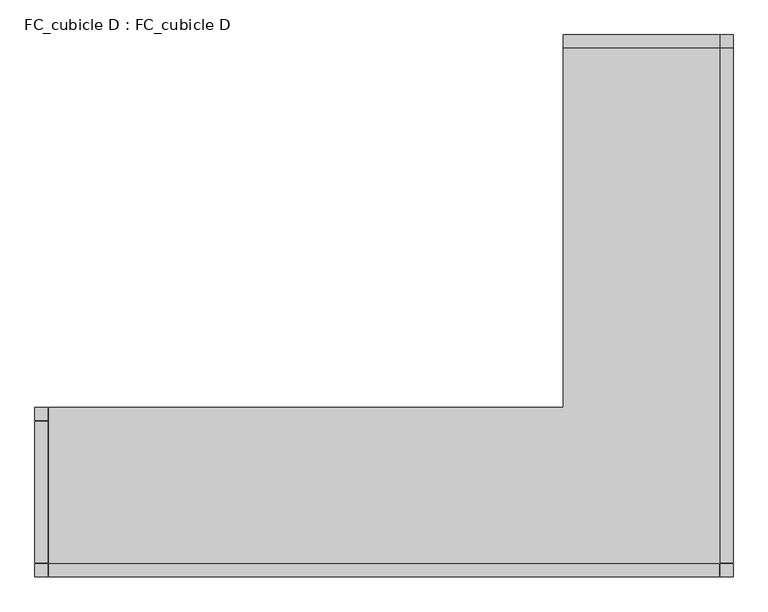
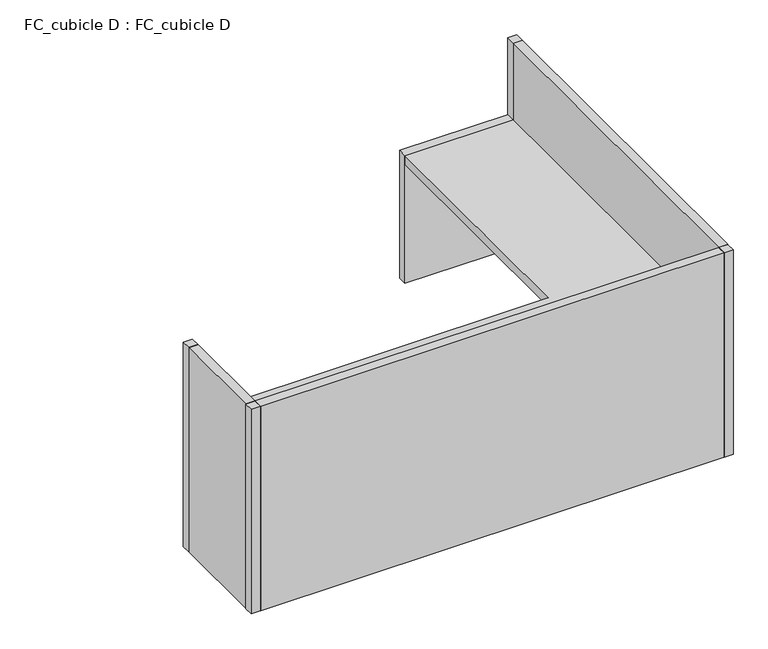
"""IFC4 building model written with IfcOpenShell, lengths in millimetres: furniture geometry, FC_cubicle D : FC_cubicle D."""

from ifc_helpers import new_model, si_unit, frame, origin, origin_with_axes, place, context, project, spatial, polyline, outline, extrude, source, transform, mapped, element, save


def fc_cubicle_d_fc_cubicle_d_d00dc7a6(model_context):
    return source(origin(), model_context, "Body", "SweptSolid", [
        extrude(outline(polyline([(-660.4, 2111.375), (-50.8, 2111.375), (-50.8, 2060.575), (-660.4, 2060.575), (-660.4, 2111.375)])), origin_with_axes(), (0.0, 0.0, 1.0), 762.0),
        extrude(outline(polyline([(-2717.8, 660.4), (-2667.0, 660.4), (-2667.0, 609.6), (-2717.8, 609.6), (-2717.8, 660.4)])), origin_with_axes(), (0.0, 0.0, 1.0), 1219.2),
        extrude(outline(polyline([(-2717.8, 50.8), (-2667.0, 50.8), (-2667.0, 0.0), (-2717.8, 0.0), (-2717.8, 50.8)])), origin_with_axes(), (0.0, 0.0, 1.0), 1219.2),
        extrude(outline(polyline([(-50.8, 50.8), (0.0, 50.8), (0.0, 0.0), (-50.8, 0.0), (-50.8, 50.8)])), origin_with_axes(), (0.0, 0.0, 1.0), 1219.2),
        extrude(outline(polyline([(-50.8, 2111.375), (0.0, 2111.375), (0.0, 2060.575), (-50.8, 2060.575), (-50.8, 2111.375)])), origin_with_axes(), (0.0, 0.0, 1.0), 1219.2),
        extrude(outline(polyline([(-2663.825, 660.4), (-660.4, 660.4), (-660.4, 2060.575), (-50.8, 2060.575), (-50.8, 50.8), (-2663.825, 50.8), (-2663.825, 660.4)])), frame((0.0, 0.0, 711.2), z_axis=(0.0, 0.0, 1.0), x_axis=(1.0, 0.0, 0.0)), (0.0, 0.0, 1.0), 50.8),
        extrude(outline(polyline([(-2663.825, 0.0), (-2663.825, 50.8), (-53.975, 50.8), (-53.975, 0.0), (-2663.825, 0.0)])), origin_with_axes(), (0.0, 0.0, 1.0), 1219.2),
        extrude(outline(polyline([(0.0, 53.975), (-50.8, 53.975), (-50.8, 2060.575), (0.0, 2060.575), (0.0, 53.975)])), origin_with_axes(), (0.0, 0.0, 1.0), 1219.2),
        extrude(outline(polyline([(-2717.8, 53.975), (-2717.8, 606.425), (-2667.0, 606.425), (-2667.0, 53.975), (-2717.8, 53.975)])), origin_with_axes(), (0.0, 0.0, 1.0), 1219.2),
    ])


if __name__ == "__main__":
    model = new_model("IFC4")
    model_context = context("Model", 3, world=origin())
    ifc_project = project(units=[si_unit("LENGTHUNIT", "METRE", prefix="MILLI")], contexts=[model_context])
    site = spatial("IfcSite", under=ifc_project)
    building = spatial("IfcBuilding", under=site)
    placement = place(None, origin())
    fc_cubicle_d_fc_cubicle_d_shape = fc_cubicle_d_fc_cubicle_d_d00dc7a6(model_context)
    element("IfcFurniture", 1, ObjectType="FC_cubicle D : FC_cubicle D", at=placement, inside=building, context=model_context, shape_type="MappedRepresentation", body=[
        mapped(fc_cubicle_d_fc_cubicle_d_shape, transform((0.0, 0.0, 0.0), x_axis=(1.0, 0.0, 0.0), y_axis=(0.0, 1.0, 0.0), z_axis=(0.0, 0.0, 1.0))),
    ])
    save(model, "model.ifc")
